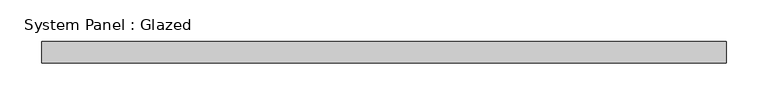
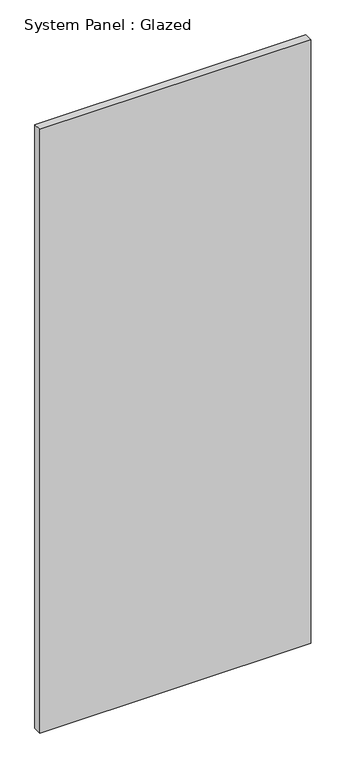
"""IFC4 building model written with IfcOpenShell, lengths in millimetres: plate geometry, System Panel : Glazed."""

from ifc_helpers import new_model, si_unit, origin, origin_with_axes, place, context, project, spatial, polyline, outline, extrude, source, transform, mapped, element, save


def system_panel_glazed_fe1a3527(model_context):
    return source(origin(), model_context, "Body", "SweptSolid", [
        extrude(outline(polyline([(408.5855998, 19.05), (-408.5855998, 19.05), (-408.5855998, 44.45), (408.5855998, 44.45), (408.5855998, 19.05)])), origin_with_axes(), (0.0, 0.0, 1.0), 1924.05),
    ])


if __name__ == "__main__":
    model = new_model("IFC4")
    model_context = context("Model", 3, world=origin())
    ifc_project = project(units=[si_unit("LENGTHUNIT", "METRE", prefix="MILLI")], contexts=[model_context])
    site = spatial("IfcSite", under=ifc_project)
    building = spatial("IfcBuilding", under=site)
    placement = place(None, origin())
    system_panel_glazed_shape = system_panel_glazed_fe1a3527(model_context)
    element("IfcPlate", 1, ObjectType="System Panel : Glazed", at=placement, inside=building, context=model_context, shape_type="MappedRepresentation", body=[
        mapped(system_panel_glazed_shape, transform((0.0, 0.0, 0.0), x_axis=(1.0, 0.0, 0.0), y_axis=(0.0, 1.0, 0.0), z_axis=(0.0, 0.0, 1.0))),
    ])
    save(model, "model.ifc")
